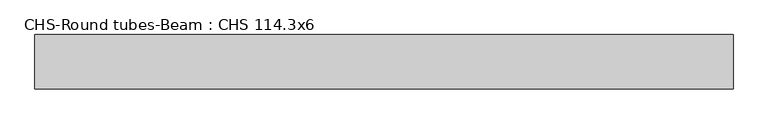
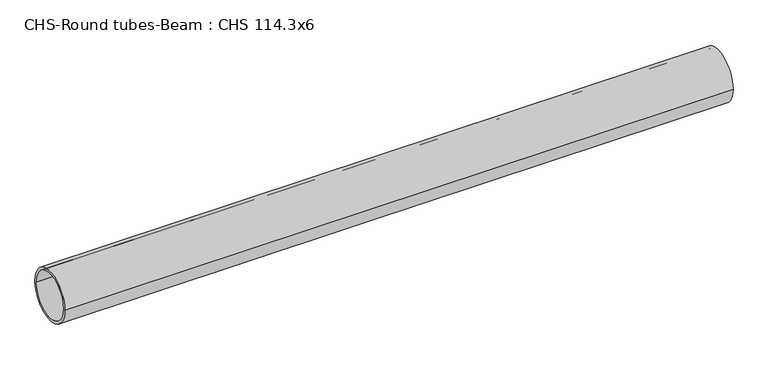
"""IFC4 building model written with IfcOpenShell, lengths in millimetres: beam geometry, CHS-Round tubes-Beam : CHS 114.3x6."""

from ifc_helpers import new_model, si_unit, point, frame, origin, origin_2d, place, context, project, spatial, circle_curve, trimmed, segment, composite_curve, outline, extrude, source, transform, mapped, element, save


def chs_round_tubes_beam_chs_114_3x6_67ea4e79(model_context):
    return source(origin(), model_context, "Body", "SweptSolid", [
        extrude(outline(composite_curve([segment(trimmed(circle_curve(origin_2d(), 57.15), [point((57.15, 0.0))], [point((-57.15, 0.0))], False, "CARTESIAN"), True, "CONTINUOUS"), segment(trimmed(circle_curve(origin_2d(), 57.15), [point((-57.15, 0.0))], [point((57.15, 0.0))], False, "CARTESIAN"), True, "CONTINUOUS")], self_intersect=False), holes=[composite_curve([segment(trimmed(circle_curve(origin_2d(), 51.15), [point((51.15, 0.0))], [point((-51.15, 0.0))], True, "CARTESIAN"), True, "CONTINUOUS"), segment(trimmed(circle_curve(origin_2d(), 51.15), [point((-51.15, 0.0))], [point((51.15, 0.0))], True, "CARTESIAN"), True, "CONTINUOUS")], self_intersect=False)]), frame((-736.519188, 0.0, 0.0), z_axis=(1.0, 0.0, 0.0), x_axis=(0.0, 1.0, 0.0)), (0.0, 0.0, 1.0), 1472.8889469),
    ])


if __name__ == "__main__":
    model = new_model("IFC4")
    model_context = context("Model", 3, world=origin())
    ifc_project = project(units=[si_unit("LENGTHUNIT", "METRE", prefix="MILLI")], contexts=[model_context])
    site = spatial("IfcSite", under=ifc_project)
    building = spatial("IfcBuilding", under=site)
    placement = place(None, origin())
    chs_round_tubes_beam_chs_114_3x6_shape = chs_round_tubes_beam_chs_114_3x6_67ea4e79(model_context)
    element("IfcBeam", 1, ObjectType="CHS-Round tubes-Beam : CHS 114.3x6", at=placement, inside=building, context=model_context, shape_type="MappedRepresentation", body=[
        mapped(chs_round_tubes_beam_chs_114_3x6_shape, transform((0.0, 0.0, 0.0), x_axis=(1.0, 0.0, 0.0), y_axis=(0.0, 1.0, 0.0), z_axis=(0.0, 0.0, 1.0))),
    ])
    save(model, "model.ifc")
